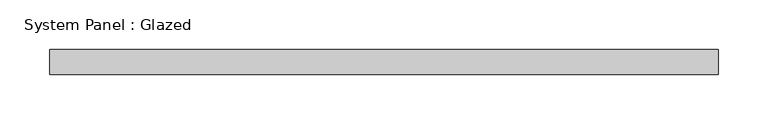
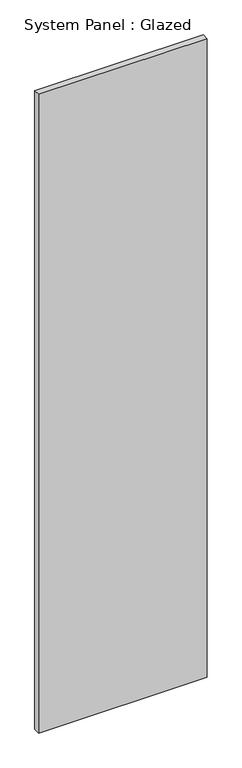
"""IFC4 building model written with IfcOpenShell, lengths in millimetres: plate geometry, System Panel : Glazed."""

from ifc_helpers import new_model, si_unit, origin, origin_with_axes, place, context, project, spatial, polyline, outline, extrude, source, transform, mapped, element, save


def system_panel_glazed_f685cbbf(model_context):
    return source(origin(), model_context, "Body", "SweptSolid", [
        extrude(outline(polyline([(336.55, 19.05), (-336.55, 19.05), (-336.55, 44.45), (336.55, 44.45), (336.55, 19.05)])), origin_with_axes(), (0.0, 0.0, 1.0), 2692.4),
    ])


if __name__ == "__main__":
    model = new_model("IFC4")
    model_context = context("Model", 3, world=origin())
    ifc_project = project(units=[si_unit("LENGTHUNIT", "METRE", prefix="MILLI")], contexts=[model_context])
    site = spatial("IfcSite", under=ifc_project)
    building = spatial("IfcBuilding", under=site)
    placement = place(None, origin())
    system_panel_glazed_shape = system_panel_glazed_f685cbbf(model_context)
    element("IfcPlate", 1, ObjectType="System Panel : Glazed", at=placement, inside=building, context=model_context, shape_type="MappedRepresentation", body=[
        mapped(system_panel_glazed_shape, transform((0.0, 0.0, 0.0), x_axis=(1.0, 0.0, 0.0), y_axis=(0.0, 1.0, 0.0), z_axis=(0.0, 0.0, 1.0))),
    ])
    save(model, "model.ifc")
